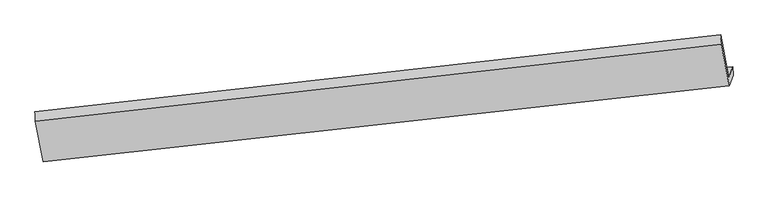
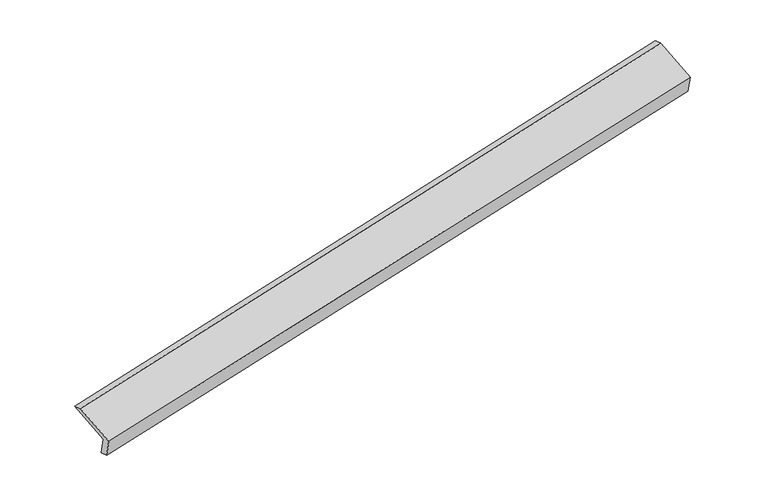
"""IFC4 building model written with IfcOpenShell, lengths in millimetres: proxy geometry."""

from ifc_helpers import new_model, si_unit, frame, origin, place, context, project, spatial, source, transform, mapped, element, save
from ifc_brep_helpers import plane_surface, spline_surface, advanced_brep


def generic_models_a71a2063(model_context):
    return source(origin(), model_context, "Body", "AdvancedBrep", [
        advanced_brep(
        [(-8458.6539548, -2162.952813, 394.5185948), (-8519.8222829, -2335.0851272, 788.8677052), (2838.8839652, -1101.7553516, 3100.1066918), (2902.8671802, -921.7017321, 2687.6101482), (-8450.074783, -2321.1047701, 440.1523327), (2907.8670192, -1061.6222055, 2740.6466812), (-8511.8284071, -2494.8841517, 838.2748168), (2844.7059516, -1239.3622397, 3147.8428819), (-8643.9585439, -1821.8736762, 1111.5470728), (2708.9964821, -548.1202804, 3428.5179332), (-8651.3806856, -1664.986803, 1060.957498), (2700.1668969, -395.1940598, 3387.002075)],
        [
            (0, 1),
            (1, 2),
            (2, 3),
            (3, 0),
            (4, 0),
            (3, 5),
            (5, 4),
            (6, 4),
            (5, 7),
            (7, 6),
            (8, 6),
            (7, 9),
            (9, 8),
            (10, 8),
            (9, 11),
            (11, 10),
            (1, 10),
            (11, 2),
        ],
        [
            plane_surface(frame((-8489.2381188, -2249.0189701, 591.69315), z_axis=(-0.17453114289887214, 0.9120669335399999, 0.37104283971174473), x_axis=(-0.14074434597925473, -0.3960652634805516, 0.9073716637293415))),
            spline_surface(1, 1, [[(-8450.074783, -2321.1047701, 440.1523327), (2907.8670192, -1061.6222055, 2740.6466812)], [(-8458.6539548, -2162.952813, 394.5185948), (2902.8671802, -921.7017321, 2687.6101482)]], [2, 2], [2, 2], [0.0, 1.0], [0.0, 1.0]),
            plane_surface(frame((-8480.9515951, -2407.9944609, 639.2135747), z_axis=(0.17620292225059092, -0.9118834807573364, -0.3707034498251086), x_axis=(0.14074434597925833, 0.396065263480637, -0.9073716637293037))),
            plane_surface(frame((-8577.8934755, -2158.3789139, 974.9109448), z_axis=(-0.14074434597931001, -0.39606526348063875, 0.9073716637292949), x_axis=(0.1789666380771515, -0.9115741886388458, -0.3701397588246795))),
            spline_surface(1, 1, [[(-8651.3806856, -1664.986803, 1060.957498), (2700.1668969, -395.1940598, 3387.002075)], [(-8643.9585439, -1821.8736762, 1111.5470728), (2708.9964821, -548.1202804, 3428.5179332)]], [2, 2], [2, 2], [0.0, 1.0], [0.0, 1.0]),
            plane_surface(frame((-8585.6014842, -2000.0359651, 924.9126016), z_axis=(0.14157963363237944, 0.3961597358589677, -0.907200458016129), x_axis=(-0.178966638077138, 0.9115741886388825, 0.37013975882459554))),
            plane_surface(frame((2817.2479159, -877.9593115, 3081.9544019), z_axis=(0.9737360892614757, 0.1102941778674052, 0.19918138165581822), x_axis=(0.1789666380771515, -0.9115741886388458, -0.3701397588246795))),
            plane_surface(frame((-8539.2864429, -2133.4812235, 772.3863367), z_axis=(-0.9737360892614778, -0.1102941778674205, -0.19918138165579977), x_axis=(0.14074434597924723, 0.39606526348057636, -0.9073716637293319))),
        ],
        [
            (0, [[1, 2, 3, 4]]),
            (1, [[5, -4, 6, 7]]),
            (2, [[8, -7, 9, 10]]),
            (3, [[11, -10, 12, 13]]),
            (4, [[14, -13, 15, 16]]),
            (5, [[17, -16, 18, -2]]),
            (6, [[-12, -9, -6, -3, -18, -15]]),
            (7, [[-1, -5, -8, -11, -14, -17]]),
        ],
    ),
    ])


if __name__ == "__main__":
    model = new_model("IFC4")
    model_context = context("Model", 3, world=origin())
    ifc_project = project(units=[si_unit("LENGTHUNIT", "METRE", prefix="MILLI")], contexts=[model_context])
    site = spatial("IfcSite", under=ifc_project)
    building = spatial("IfcBuilding", under=site)
    placement = place(None, origin())
    generic_models_shape = generic_models_a71a2063(model_context)
    element("IfcBuildingElementProxy", 1, Name="Generic Models", at=placement, inside=building, context=model_context, shape_type="MappedRepresentation", body=[
        mapped(generic_models_shape, transform((0.0, 0.0, 0.0), x_axis=(1.0, 0.0, 0.0), y_axis=(0.0, 1.0, 0.0), z_axis=(0.0, 0.0, 1.0))),
    ])
    save(model, "model.ifc")
